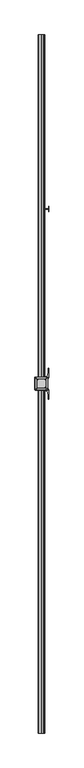
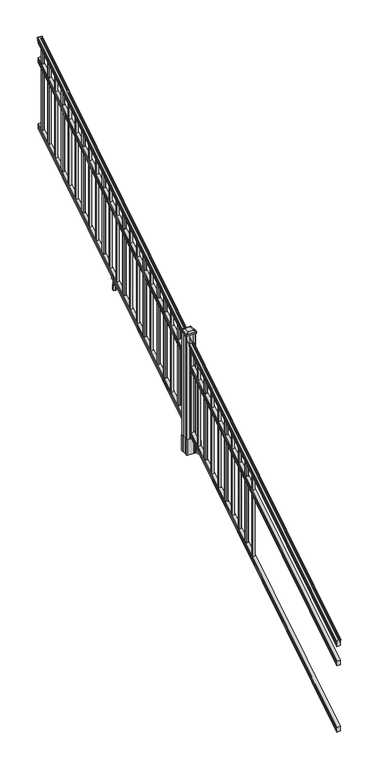
"""IFC4 building model written with IfcOpenShell, lengths in millimetres: railing geometry."""

from ifc_helpers import new_model, si_unit, point, frame, frame_2d, origin, place, context, project, spatial, polyline, circle_curve, ellipse_curve, trimmed, segment, composite_curve, outline, extrude, faceted_brep, source, transform, mapped, element, save
from ifc_brep_helpers import plane_surface, cylinder_surface, revolved_surface, extruded_surface, advanced_brep


def railing_ff684ed2(model_context):
    return source(origin(), model_context, "Body", "SolidModel", [
        advanced_brep(
        [(7294.632944, -129368.4628453, 1133.2070492), (7297.2067728, -129368.4628453, 1133.2070492), (7297.2067728, -129368.4628453, 1120.6394336), (7296.1907728, -129368.4628453, 1119.441318), (7296.1907728, -129368.4628453, 1104.9), (7327.9407728, -129368.4628453, 1104.9), (7327.9407728, -129368.4628453, 1119.6274214), (7326.9247728, -129368.4628453, 1120.825537), (7326.9247728, -129368.4628453, 1133.2070492), (7329.4986015, -129368.4628453, 1133.2070492), (7329.4986015, -129368.4628453, 1135.4335658), (7330.6287878, -129368.4628453, 1137.2758543), (7330.6287878, -129368.4628453, 1145.7876358), (7329.9795314, -129368.4628453, 1148.6572588), (7332.4795314, -129368.4628453, 1153.7635509), (7333.8888739, -129368.4628453, 1155.7442021), (7334.2907729, -129368.4628453, 1157.0469579), (7334.2907728, -129368.4628453, 1158.6274846), (7332.7373255, -129368.4628453, 1160.4593836), (7312.0657728, -129368.4628453, 1160.4593836), (7291.39422, -129368.4628453, 1160.4593836), (7289.8407728, -129368.4628453, 1158.6274846), (7289.8407728, -129368.4628453, 1157.0469579), (7290.2426717, -129368.4628453, 1155.7442021), (7291.6520141, -129368.4628453, 1153.7635509), (7294.1520141, -129368.4628453, 1148.6572588), (7293.5027577, -129368.4628453, 1145.7876358), (7293.5027577, -129368.4628453, 1137.2758543), (7294.632944, -129368.4628453, 1135.4335658), (7294.632944, -124491.6628453, 4181.2070492), (7294.632944, -124491.6628453, 4183.4335658), (7293.5027577, -124491.6628453, 4185.2758543), (7293.5027577, -124491.6628453, 4193.7876358), (7294.1520141, -124491.6628453, 4196.6572588), (7291.6520141, -124491.6628453, 4201.7635509), (7290.2426717, -124491.6628453, 4203.7442021), (7289.8407727, -124491.6628453, 4205.0469579), (7289.8407728, -124491.6628453, 4206.6274846), (7291.39422, -124491.6628453, 4208.4593836), (7312.0657728, -124491.6628453, 4208.4593836), (7332.7373255, -124491.6628453, 4208.4593836), (7334.2907728, -124491.6628453, 4206.6274846), (7334.2907728, -124491.6628453, 4205.0469579), (7333.8888739, -124491.6628453, 4203.7442021), (7332.4795314, -124491.6628453, 4201.7635509), (7329.9795314, -124491.6628453, 4196.6572588), (7330.6287878, -124491.6628453, 4193.7876358), (7330.6287878, -124491.6628453, 4185.2758543), (7329.4986015, -124491.6628453, 4183.4335658), (7329.4986015, -124491.6628453, 4181.2070492), (7326.9247728, -124491.6628453, 4181.2070492), (7326.9247728, -124491.6628453, 4168.825537), (7327.9407728, -124491.6628453, 4167.6274214), (7327.9407728, -124491.6628453, 4152.9), (7296.1907728, -124491.6628453, 4152.9), (7296.1907728, -124491.6628453, 4167.441318), (7297.2067728, -124491.6628453, 4168.6394336), (7297.2067728, -124491.6628453, 4181.2070492)],
        [
            (0, 1, ellipse_curve(frame((7295.9198584, -129368.4628453, 1133.2070492), z_axis=(0.0, -1.0, 0.0), x_axis=(0.0, 0.0, -1.0)), 1.5175907, 1.2869144)),
            (1, 2),
            (2, 3),
            (3, 4),
            (4, 5),
            (5, 6),
            (6, 7),
            (7, 8),
            (8, 9, ellipse_curve(frame((7328.2116871, -129368.4628453, 1133.2070492), z_axis=(0.0, -1.0, 0.0), x_axis=(0.0, 0.0, -1.0)), 1.5175907, 1.2869144)),
            (9, 10),
            (10, 11, ellipse_curve(frame((7323.1838482, -129368.4628453, 1142.2239405), z_axis=(0.0, -1.0, 0.0), x_axis=(0.0, 0.0, -1.0)), 10.0777926, 8.545951)),
            (11, 12, ellipse_curve(frame((7323.6209112, -129368.4628453, 1141.5317451), z_axis=(0.0, -1.0, 0.0), x_axis=(0.0, 0.0, -1.0)), 9.2955186, 7.882584)),
            (12, 13, ellipse_curve(frame((7334.1342353, -129368.4628453, 1148.4275077), z_axis=(0.0, 1.0, 0.0), x_axis=(0.0, 0.0, 1.0)), 4.9048088, 4.1592695)),
            (13, 14, ellipse_curve(frame((7335.4215419, -129368.4628453, 1148.3563208), z_axis=(0.0, 1.0, 0.0), x_axis=(0.0, 0.0, 1.0)), 6.4245301, 5.4479907)),
            (14, 15, ellipse_curve(frame((7334.1883834, -129368.4628453, 1153.7602333), z_axis=(0.0, 1.0, 0.0), x_axis=(0.0, 0.0, 1.0)), 2.0151625, 1.7088543)),
            (15, 16, ellipse_curve(frame((7332.5714833, -129368.4628453, 1157.0469579), z_axis=(0.0, -1.0, 0.0), x_axis=(0.0, 0.0, -1.0)), 2.0274681, 1.7192895)),
            (16, 17),
            (17, 18, ellipse_curve(frame((7332.7373255, -129368.4628453, 1158.6274846), z_axis=(0.0, -1.0, 0.0), x_axis=(0.0, 0.0, -1.0)), 1.831899, 1.5534472)),
            (18, 19),
            (19, 20),
            (20, 21, ellipse_curve(frame((7291.39422, -129368.4628453, 1158.6274846), z_axis=(0.0, -1.0, 0.0), x_axis=(0.0, 0.0, -1.0)), 1.831899, 1.5534472)),
            (21, 22),
            (22, 23, ellipse_curve(frame((7291.5600622, -129368.4628453, 1157.0469579), z_axis=(0.0, -1.0, 0.0), x_axis=(0.0, 0.0, -1.0)), 2.0274681, 1.7192895)),
            (23, 24, ellipse_curve(frame((7289.9431621, -129368.4628453, 1153.7602333), z_axis=(0.0, 1.0, 0.0), x_axis=(0.0, 0.0, 1.0)), 2.0151625, 1.7088543)),
            (24, 25, ellipse_curve(frame((7288.7100037, -129368.4628453, 1148.3563208), z_axis=(0.0, 1.0, 0.0), x_axis=(0.0, 0.0, 1.0)), 6.4245301, 5.4479907)),
            (25, 26, ellipse_curve(frame((7289.9973102, -129368.4628453, 1148.4275077), z_axis=(0.0, 1.0, 0.0), x_axis=(0.0, 0.0, 1.0)), 4.9048088, 4.1592695)),
            (26, 27, ellipse_curve(frame((7300.5106343, -129368.4628453, 1141.5317451), z_axis=(0.0, -1.0, 0.0), x_axis=(0.0, 0.0, -1.0)), 9.2955186, 7.882584)),
            (27, 28, ellipse_curve(frame((7300.9476973, -129368.4628453, 1142.2239405), z_axis=(0.0, -1.0, 0.0), x_axis=(0.0, 0.0, -1.0)), 10.0777926, 8.545951)),
            (28, 0),
            (29, 30),
            (30, 31, ellipse_curve(frame((7300.9476973, -124491.6628453, 4190.2239405), z_axis=(0.0, 1.0, 0.0), x_axis=(0.0, 0.0, -1.0)), 10.0777926, 8.545951)),
            (31, 32, ellipse_curve(frame((7300.5106343, -124491.6628453, 4189.5317451), z_axis=(0.0, 1.0, 0.0), x_axis=(0.0, 0.0, -1.0)), 9.2955186, 7.882584)),
            (32, 33, ellipse_curve(frame((7289.9973102, -124491.6628453, 4196.4275077), z_axis=(0.0, -1.0, 0.0), x_axis=(0.0, 0.0, 1.0)), 4.9048088, 4.1592695)),
            (33, 34, ellipse_curve(frame((7288.7100037, -124491.6628453, 4196.3563208), z_axis=(0.0, -1.0, 0.0), x_axis=(0.0, 0.0, 1.0)), 6.4245301, 5.4479907)),
            (34, 35, ellipse_curve(frame((7289.9431621, -124491.6628453, 4201.7602333), z_axis=(0.0, -1.0, 0.0), x_axis=(0.0, 0.0, 1.0)), 2.0151625, 1.7088543)),
            (35, 36, ellipse_curve(frame((7291.5600622, -124491.6628453, 4205.0469579), z_axis=(0.0, 1.0, 0.0), x_axis=(0.0, 0.0, -1.0)), 2.0274681, 1.7192895)),
            (36, 37),
            (37, 38, ellipse_curve(frame((7291.39422, -124491.6628453, 4206.6274846), z_axis=(0.0, 1.0, 0.0), x_axis=(0.0, 0.0, -1.0)), 1.831899, 1.5534472)),
            (38, 39),
            (39, 40),
            (40, 41, ellipse_curve(frame((7332.7373255, -124491.6628453, 4206.6274846), z_axis=(0.0, 1.0, 0.0), x_axis=(0.0, 0.0, -1.0)), 1.831899, 1.5534472)),
            (41, 42),
            (42, 43, ellipse_curve(frame((7332.5714833, -124491.6628453, 4205.0469579), z_axis=(0.0, 1.0, 0.0), x_axis=(0.0, 0.0, -1.0)), 2.0274681, 1.7192895)),
            (43, 44, ellipse_curve(frame((7334.1883834, -124491.6628453, 4201.7602333), z_axis=(0.0, -1.0, 0.0), x_axis=(0.0, 0.0, 1.0)), 2.0151625, 1.7088543)),
            (44, 45, ellipse_curve(frame((7335.4215419, -124491.6628453, 4196.3563208), z_axis=(0.0, -1.0, 0.0), x_axis=(0.0, 0.0, 1.0)), 6.4245301, 5.4479907)),
            (45, 46, ellipse_curve(frame((7334.1342353, -124491.6628453, 4196.4275077), z_axis=(0.0, -1.0, 0.0), x_axis=(0.0, 0.0, 1.0)), 4.9048088, 4.1592695)),
            (46, 47, ellipse_curve(frame((7323.6209112, -124491.6628453, 4189.5317451), z_axis=(0.0, 1.0, 0.0), x_axis=(0.0, 0.0, -1.0)), 9.2955186, 7.882584)),
            (47, 48, ellipse_curve(frame((7323.1838482, -124491.6628453, 4190.2239405), z_axis=(0.0, 1.0, 0.0), x_axis=(0.0, 0.0, -1.0)), 10.0777926, 8.545951)),
            (48, 49),
            (49, 50, ellipse_curve(frame((7328.2116871, -124491.6628453, 4181.2070492), z_axis=(0.0, 1.0, 0.0), x_axis=(0.0, 0.0, -1.0)), 1.5175907, 1.2869144)),
            (50, 51),
            (51, 52),
            (52, 53),
            (53, 54),
            (54, 55),
            (55, 56),
            (56, 57),
            (57, 29, ellipse_curve(frame((7295.9198584, -124491.6628453, 4181.2070492), z_axis=(0.0, 1.0, 0.0), x_axis=(0.0, 0.0, -1.0)), 1.5175907, 1.2869144)),
            (28, 30),
            (29, 0),
            (27, 31),
            (26, 32),
            (25, 33),
            (24, 34),
            (23, 35),
            (22, 36),
            (21, 37),
            (20, 38),
            (19, 39),
            (18, 40),
            (17, 41),
            (16, 42),
            (15, 43),
            (14, 44),
            (13, 45),
            (12, 46),
            (11, 47),
            (10, 48),
            (9, 49),
            (8, 50),
            (7, 51),
            (6, 52),
            (5, 53),
            (4, 54),
            (3, 55),
            (2, 56),
            (1, 57),
        ],
        [
            plane_surface(frame((7312.0657728, -129368.4628453, 1104.9), z_axis=(0.0, -1.0, 0.0), x_axis=(0.0, 0.0, 1.0))),
            plane_surface(frame((7312.0657728, -124491.6628453, 4152.9), z_axis=(0.0, 1.0, 0.0), x_axis=(0.0, 0.0, 1.0))),
            plane_surface(frame((7294.632944, -129368.4628453, 1135.4335658), z_axis=(-1.0, 0.0, 0.0), x_axis=(0.0, 0.8479983040051252, 0.5299989400031204))),
            cylinder_surface(frame((7300.9476973, -129385.23765, 1131.7396876), z_axis=(0.0, -0.8479983040051253, -0.5299989400031204), x_axis=(1.0, 0.0, 0.0)), 8.545951),
            cylinder_surface(frame((7300.5106343, -129384.9265509, 1131.241929), z_axis=(0.0, -0.8479983040051253, -0.5299989400031204), x_axis=(1.0, 0.0, 0.0)), 7.882584),
            revolved_surface(polyline([(7294.1565797, -124489.45843685034, 4197.805262980552), (7294.1565797, -129370.66725374945, 1147.0497524190953)]), (7289.9973102, -129388.0257701, 1136.2006797), (0.0, 0.8479983040051253, 0.5299989400031204)),
            revolved_surface(polyline([(7294.1579944000005, -124488.77541603574, 4198.160964077185), (7294.1579944000005, -129371.35027455281, 1146.551677504493)]), (7288.7100037, -129387.993776, 1136.1494891), (0.0, 0.8479983040051253, 0.5299989400031204)),
            revolved_surface(polyline([(7291.6520164, -124490.75715429979, 4202.326290199658), (7291.6520164, -129369.36853632248, 1153.1941764359544)]), (7289.9431621, -129390.4225007, 1140.0354487), (0.0, 0.8479983040051253, 0.5299989400031204)),
            cylinder_surface(frame((7291.5600622, -129391.8996803, 1142.398936), z_axis=(0.0, -0.8479983040051253, -0.5299989400031204), x_axis=(1.0, 0.0, 0.0)), 1.7192895),
            plane_surface(frame((7289.8407728, -129368.4628453, 1158.6274846), z_axis=(-1.0, 0.0, 0.0), x_axis=(0.0, 0.8479983040051252, 0.5299989400031204))),
            cylinder_surface(frame((7291.39422, -129392.6100294, 1143.5354945), z_axis=(0.0, -0.8479983040051253, -0.5299989400031204), x_axis=(1.0, 0.0, 0.0)), 1.5534472),
            plane_surface(frame((7312.0657728, -129368.4628453, 1160.4593836), z_axis=(0.0, -0.5299989400031204, 0.8479983040051252), x_axis=(0.0, 0.8479983040051252, 0.5299989400031204))),
            plane_surface(frame((7332.7373255, -129368.4628453, 1160.4593836), z_axis=(0.0, -0.5299989400031204, 0.8479983040051252), x_axis=(0.0, 0.8479983040051252, 0.5299989400031204))),
            cylinder_surface(frame((7332.7373255, -129392.6100294, 1143.5354945), z_axis=(0.0, -0.8479983040051253, -0.5299989400031204), x_axis=(-1.0, 0.0, 0.0)), 1.5534472),
            plane_surface(frame((7334.2907728, -129368.4628453, 1157.0469579), z_axis=(1.0000000000000002, 0.0, 0.0), x_axis=(0.0, 0.8479983040051253, 0.5299989400031204))),
            cylinder_surface(frame((7332.5714833, -129391.8996803, 1142.398936), z_axis=(0.0, -0.8479983040051253, -0.5299989400031204), x_axis=(-1.0, 0.0, 0.0)), 1.7192895),
            revolved_surface(polyline([(7332.4795291, -124490.75715429979, 4202.326290199658), (7332.4795291, -129369.36853632248, 1153.1941764359544)]), (7334.1883834, -129390.4225007, 1140.0354487), (0.0, 0.8479983040051253, 0.5299989400031204)),
            revolved_surface(polyline([(7329.9735512, -124488.77541603574, 4198.160964077185), (7329.9735512, -129371.35027455281, 1146.551677504493)]), (7335.4215419, -129387.993776, 1136.1494891), (0.0, 0.8479983040051253, 0.5299989400031204)),
            revolved_surface(polyline([(7329.9749658, -124489.45843685034, 4197.805262980552), (7329.9749658, -129370.66725374945, 1147.0497524190953)]), (7334.1342353, -129388.0257701, 1136.2006797), (0.0, 0.8479983040051253, 0.5299989400031204)),
            cylinder_surface(frame((7323.6209112, -129384.9265509, 1131.241929), z_axis=(0.0, -0.8479983040051253, -0.5299989400031204), x_axis=(-1.0, 0.0, 0.0)), 7.882584),
            cylinder_surface(frame((7323.1838482, -129385.23765, 1131.7396876), z_axis=(0.0, -0.8479983040051253, -0.5299989400031204), x_axis=(-1.0, 0.0, 0.0)), 8.545951),
            plane_surface(frame((7329.4986015, -129368.4628453, 1133.2070492), z_axis=(1.0, 0.0, 0.0), x_axis=(0.0, 0.8479983040051252, 0.5299989400031204))),
            cylinder_surface(frame((7328.2116871, -129381.1851146, 1125.2556309), z_axis=(0.0, -0.8479983040051253, -0.5299989400031204), x_axis=(-1.0, 0.0, 0.0)), 1.2869144),
            plane_surface(frame((7326.9247728, -129368.4628453, 1120.825537), z_axis=(1.0, 0.0, 0.0), x_axis=(0.0, 0.8479983040051252, 0.5299989400031204))),
            plane_surface(frame((7327.9407728, -129368.4628453, 1119.6274214), z_axis=(0.7071067811865426, -0.3747658444978921, 0.5996253511967194), x_axis=(0.0, 0.8479983040051253, 0.5299989400031204))),
            plane_surface(frame((7327.9407728, -129368.4628453, 1104.9), z_axis=(1.0, 0.0, 0.0), x_axis=(0.0, 0.8479983040051252, 0.5299989400031204))),
            plane_surface(frame((7296.1907728, -129368.4628453, 1104.9), z_axis=(0.0, 0.5299989400031204, -0.8479983040051252), x_axis=(0.0, 0.8479983040051252, 0.5299989400031204))),
            plane_surface(frame((7296.1907728, -129368.4628453, 1119.441318), z_axis=(-1.0000000000000002, 0.0, 0.0), x_axis=(0.0, 0.8479983040051253, 0.5299989400031204))),
            plane_surface(frame((7297.2067728, -129368.4628453, 1120.6394336), z_axis=(-0.7071067811865401, -0.3747658444978918, 0.5996253511967223), x_axis=(0.0, 0.8479983040051253, 0.5299989400031204))),
            plane_surface(frame((7297.2067728, -129368.4628453, 1133.2070492), z_axis=(-1.0, 0.0, 0.0), x_axis=(0.0, 0.8479983040051252, 0.5299989400031204))),
            cylinder_surface(frame((7295.9198584, -129381.1851146, 1125.2556309), z_axis=(0.0, -0.8479983040051253, -0.5299989400031204), x_axis=(1.0, 0.0, 0.0)), 1.2869144),
        ],
        [
            (0, [[1, 2, 3, 4, 5, 6, 7, 8, 9, 10, 11, 12, 13, 14, 15, 16, 17, 18, 19, 20, 21, 22, 23, 24, 25, 26, 27, 28, 29]]),
            (1, [[30, 31, 32, 33, 34, 35, 36, 37, 38, 39, 40, 41, 42, 43, 44, 45, 46, 47, 48, 49, 50, 51, 52, 53, 54, 55, 56, 57, 58]]),
            (2, [[-29, 59, -30, 60]]),
            (3, [[-28, 61, -31, -59]]),
            (4, [[-27, 62, -32, -61]]),
            (5, [[-26, 63, -33, -62]]),
            (6, [[-25, 64, -34, -63]]),
            (7, [[-24, 65, -35, -64]]),
            (8, [[-23, 66, -36, -65]]),
            (9, [[-22, 67, -37, -66]]),
            (10, [[-21, 68, -38, -67]]),
            (11, [[-20, 69, -39, -68]]),
            (12, [[-19, 70, -40, -69]]),
            (13, [[-18, 71, -41, -70]]),
            (14, [[-17, 72, -42, -71]]),
            (15, [[-16, 73, -43, -72]]),
            (16, [[-15, 74, -44, -73]]),
            (17, [[-14, 75, -45, -74]]),
            (18, [[-13, 76, -46, -75]]),
            (19, [[-12, 77, -47, -76]]),
            (20, [[-11, 78, -48, -77]]),
            (21, [[-10, 79, -49, -78]]),
            (22, [[-9, 80, -50, -79]]),
            (23, [[-8, 81, -51, -80]]),
            (24, [[-7, 82, -52, -81]]),
            (25, [[-6, 83, -53, -82]]),
            (26, [[-5, 84, -54, -83]]),
            (27, [[-4, 85, -55, -84]]),
            (28, [[-3, 86, -56, -85]]),
            (29, [[-2, 87, -57, -86]]),
            (30, [[-1, -60, -58, -87]]),
        ],
    ),
        faceted_brep([(7296.1532859, -129368.4628453, 929.2045079), (7296.1532859, -129368.4628453, 914.4), (7327.9032859, -129368.4628453, 914.4), (7327.9032859, -129368.4628453, 929.1848772), (7326.8872859, -129368.4628453, 930.7748303), (7326.8872859, -129368.4628453, 942.9348741), (7327.9032859, -129368.4628453, 944.5248272), (7327.9032859, -129368.4628453, 959.3244744), (7296.1532859, -129368.4628453, 959.3244744), (7296.1532859, -129368.4628453, 944.5444579), (7297.1692859, -129368.4628453, 942.9545048), (7297.1692859, -129368.4628453, 930.738026), (7296.1532859, -124491.6628453, 3977.2045079), (7297.1692859, -124491.6628453, 3978.738026), (7297.1692859, -124491.6628453, 3990.9545048), (7296.1532859, -124491.6628453, 3992.5444579), (7296.1532859, -124491.6628453, 4007.3244744), (7327.9032859, -124491.6628453, 4007.3244744), (7327.9032859, -124491.6628453, 3992.5248272), (7326.8872859, -124491.6628453, 3990.9348741), (7326.8872859, -124491.6628453, 3978.7748303), (7327.9032859, -124491.6628453, 3977.1848772), (7327.9032859, -124491.6628453, 3962.4), (7296.1532859, -124491.6628453, 3962.4)], [[[0, 1, 2, 3, 4, 5, 6, 7, 8, 9, 10, 11]], [[12, 13, 14, 15, 16, 17, 18, 19, 20, 21, 22, 23]], [[0, 11, 13, 12]], [[11, 10, 14, 13]], [[10, 9, 15, 14]], [[9, 8, 16, 15]], [[8, 7, 17, 16]], [[7, 6, 18, 17]], [[6, 5, 19, 18]], [[5, 4, 20, 19]], [[4, 3, 21, 20]], [[3, 2, 22, 21]], [[2, 1, 23, 22]], [[1, 0, 12, 23]]]),
        faceted_brep([(7296.1532859, -129368.4628453, 268.8045079), (7296.1532859, -129368.4628453, 254.0), (7327.9032859, -129368.4628453, 254.0), (7327.9032859, -129368.4628453, 268.7848772), (7326.8872859, -129368.4628453, 270.3748303), (7326.8872859, -129368.4628453, 282.5348741), (7327.9032859, -129368.4628453, 284.1248272), (7327.9032859, -129368.4628453, 298.9244744), (7296.1532859, -129368.4628453, 298.9244744), (7296.1532859, -129368.4628453, 284.1444579), (7297.1692859, -129368.4628453, 282.5545048), (7297.1692859, -129368.4628453, 270.338026), (7296.1532859, -124491.6628453, 3316.8045079), (7297.1692859, -124491.6628453, 3318.338026), (7297.1692859, -124491.6628453, 3330.5545048), (7296.1532859, -124491.6628453, 3332.1444579), (7296.1532859, -124491.6628453, 3346.9244744), (7327.9032859, -124491.6628453, 3346.9244744), (7327.9032859, -124491.6628453, 3332.1248272), (7326.8872859, -124491.6628453, 3330.5348741), (7326.8872859, -124491.6628453, 3318.3748303), (7327.9032859, -124491.6628453, 3316.7848772), (7327.9032859, -124491.6628453, 3302.0), (7296.1532859, -124491.6628453, 3302.0)], [[[0, 1, 2, 3, 4, 5, 6, 7, 8, 9, 10, 11]], [[12, 13, 14, 15, 16, 17, 18, 19, 20, 21, 22, 23]], [[1, 0, 12, 23]], [[7, 6, 18, 17]], [[9, 8, 16, 15]], [[11, 10, 14, 13]], [[2, 1, 23, 22]], [[3, 2, 22, 21]], [[4, 3, 21, 20]], [[5, 4, 20, 19]], [[6, 5, 19, 18]], [[8, 7, 17, 16]], [[10, 9, 15, 14]], [[0, 11, 13, 12]]]),
        extrude(outline(polyline([(7302.5407728, -124548.4318453), (7302.5407728, -124529.3818453), (7321.5907728, -124529.3818453), (7321.5907728, -124548.4318453), (7302.5407728, -124548.4318453)]), holes=[polyline([(7302.9376478, -124548.0349703), (7321.1938978, -124548.0349703), (7321.1938978, -124529.7787203), (7302.9376478, -124529.7787203), (7302.9376478, -124548.0349703)])]), frame((0.0, 0.0, 3310.5683781), z_axis=(0.0, 0.0, 1.0), x_axis=(1.0, 0.0, 0.0)), (0.0, 0.0, 1.0), 812.8041219),
        extrude(outline(polyline([(7302.5407728, -124659.6838453), (7302.5407728, -124640.6338453), (7321.5907728, -124640.6338453), (7321.5907728, -124659.6838453), (7302.5407728, -124659.6838453)]), holes=[polyline([(7302.9376478, -124659.2869703), (7321.1938978, -124659.2869703), (7321.1938978, -124641.0307203), (7302.9376478, -124641.0307203), (7302.9376478, -124659.2869703)])]), frame((0.0, 0.0, 3241.0358781), z_axis=(0.0, 0.0, 1.0), x_axis=(1.0, 0.0, 0.0)), (0.0, 0.0, 1.0), 812.8041219),
        extrude(outline(polyline([(7302.5407728, -124770.9358453), (7302.5407728, -124751.8858453), (7321.5907728, -124751.8858453), (7321.5907728, -124770.9358453), (7302.5407728, -124770.9358453)]), holes=[polyline([(7302.9376478, -124770.5389703), (7321.1938978, -124770.5389703), (7321.1938978, -124752.2827203), (7302.9376478, -124752.2827203), (7302.9376478, -124770.5389703)])]), frame((0.0, 0.0, 3171.5033781), z_axis=(0.0, 0.0, 1.0), x_axis=(1.0, 0.0, 0.0)), (0.0, 0.0, 1.0), 812.8041219),
        extrude(outline(polyline([(7302.5407728, -124882.1878453), (7302.5407728, -124863.1378453), (7321.5907728, -124863.1378453), (7321.5907728, -124882.1878453), (7302.5407728, -124882.1878453)]), holes=[polyline([(7302.9376478, -124881.7909703), (7321.1938978, -124881.7909703), (7321.1938978, -124863.5347203), (7302.9376478, -124863.5347203), (7302.9376478, -124881.7909703)])]), frame((0.0, 0.0, 3101.9708781), z_axis=(0.0, 0.0, 1.0), x_axis=(1.0, 0.0, 0.0)), (0.0, 0.0, 1.0), 812.8041219),
        extrude(outline(polyline([(7302.5407728, -124993.4398453), (7302.5407728, -124974.3898453), (7321.5907728, -124974.3898453), (7321.5907728, -124993.4398453), (7302.5407728, -124993.4398453)]), holes=[polyline([(7302.9376478, -124993.0429703), (7321.1938978, -124993.0429703), (7321.1938978, -124974.7867203), (7302.9376478, -124974.7867203), (7302.9376478, -124993.0429703)])]), frame((0.0, 0.0, 3032.4383781), z_axis=(0.0, 0.0, 1.0), x_axis=(1.0, 0.0, 0.0)), (0.0, 0.0, 1.0), 812.8041219),
        extrude(outline(polyline([(7302.5407728, -125104.6918453), (7302.5407728, -125085.6418453), (7321.5907728, -125085.6418453), (7321.5907728, -125104.6918453), (7302.5407728, -125104.6918453)]), holes=[polyline([(7302.9376478, -125104.2949703), (7321.1938978, -125104.2949703), (7321.1938978, -125086.0387203), (7302.9376478, -125086.0387203), (7302.9376478, -125104.2949703)])]), frame((0.0, 0.0, 2962.9058781), z_axis=(0.0, 0.0, 1.0), x_axis=(1.0, 0.0, 0.0)), (0.0, 0.0, 1.0), 812.8041219),
        extrude(outline(polyline([(7302.5407728, -125215.9438453), (7302.5407728, -125196.8938453), (7321.5907728, -125196.8938453), (7321.5907728, -125215.9438453), (7302.5407728, -125215.9438453)]), holes=[polyline([(7302.9376478, -125215.5469703), (7321.1938978, -125215.5469703), (7321.1938978, -125197.2907203), (7302.9376478, -125197.2907203), (7302.9376478, -125215.5469703)])]), frame((0.0, 0.0, 2893.3733781), z_axis=(0.0, 0.0, 1.0), x_axis=(1.0, 0.0, 0.0)), (0.0, 0.0, 1.0), 812.8041219),
        extrude(outline(polyline([(7302.5407728, -125327.1958453), (7302.5407728, -125308.1458453), (7321.5907728, -125308.1458453), (7321.5907728, -125327.1958453), (7302.5407728, -125327.1958453)]), holes=[polyline([(7302.9376478, -125326.7989703), (7321.1938978, -125326.7989703), (7321.1938978, -125308.5427203), (7302.9376478, -125308.5427203), (7302.9376478, -125326.7989703)])]), frame((0.0, 0.0, 2823.8408781), z_axis=(0.0, 0.0, 1.0), x_axis=(1.0, 0.0, 0.0)), (0.0, 0.0, 1.0), 812.8041219),
        extrude(outline(polyline([(7302.5407728, -125438.4478453), (7302.5407728, -125419.3978453), (7321.5907728, -125419.3978453), (7321.5907728, -125438.4478453), (7302.5407728, -125438.4478453)]), holes=[polyline([(7302.9376478, -125438.0509703), (7321.1938978, -125438.0509703), (7321.1938978, -125419.7947203), (7302.9376478, -125419.7947203), (7302.9376478, -125438.0509703)])]), frame((0.0, 0.0, 2754.3083781), z_axis=(0.0, 0.0, 1.0), x_axis=(1.0, 0.0, 0.0)), (0.0, 0.0, 1.0), 812.8041219),
        extrude(outline(polyline([(7302.5407728, -125549.6998453), (7302.5407728, -125530.6498453), (7321.5907728, -125530.6498453), (7321.5907728, -125549.6998453), (7302.5407728, -125549.6998453)]), holes=[polyline([(7302.9376478, -125549.3029703), (7321.1938978, -125549.3029703), (7321.1938978, -125531.0467203), (7302.9376478, -125531.0467203), (7302.9376478, -125549.3029703)])]), frame((0.0, 0.0, 2684.7758781), z_axis=(0.0, 0.0, 1.0), x_axis=(1.0, 0.0, 0.0)), (0.0, 0.0, 1.0), 812.8041219),
        extrude(outline(polyline([(7302.5407728, -125660.9518453), (7302.5407728, -125641.9018453), (7321.5907728, -125641.9018453), (7321.5907728, -125660.9518453), (7302.5407728, -125660.9518453)]), holes=[polyline([(7302.9376478, -125660.5549703), (7321.1938978, -125660.5549703), (7321.1938978, -125642.2987203), (7302.9376478, -125642.2987203), (7302.9376478, -125660.5549703)])]), frame((0.0, 0.0, 2615.2433781), z_axis=(0.0, 0.0, 1.0), x_axis=(1.0, 0.0, 0.0)), (0.0, 0.0, 1.0), 812.8041219),
        extrude(outline(polyline([(7322.7337726, -125708.3228453), (7322.7337726, -125705.7828453), (7362.1037728, -125705.7828453), (7362.1037728, -125708.3228453), (7322.7337726, -125708.3228453)])), frame((0.0, 0.0, 2428.08125), z_axis=(0.0, 0.0, 1.0), x_axis=(1.0, 0.0, 0.0)), (0.0, 0.0, 1.0), 50.8),
        extrude(outline(polyline([(7362.1037728, -125726.1028453), (7362.1037728, -125688.0028453), (7364.6437728, -125688.0028453), (7364.6437728, -125726.1028453), (7362.1037728, -125726.1028453)])), frame((0.0, 0.0, 2428.08125), z_axis=(0.0, 0.0, 1.0), x_axis=(1.0, 0.0, 0.0)), (0.0, 0.0, 1.0), 50.8),
        extrude(outline(polyline([(7301.397772, -125716.9588453), (7301.397772, -125697.1468453), (7322.7337726, -125697.1468453), (7322.7337726, -125716.9588453), (7301.397772, -125716.9588453)]), holes=[polyline([(7304.6997721, -125714.4188453), (7319.4317725, -125714.4188453), (7319.4317725, -125699.6868453), (7304.6997721, -125699.6868453), (7304.6997721, -125714.4188453)])]), frame((0.0, 0.0, 2428.08125), z_axis=(0.0, 0.0, 1.0), x_axis=(1.0, 0.0, 0.0)), (0.0, 0.0, 1.0), 50.8),
        extrude(outline(polyline([(2567.6016479, 7330.2267716), (2567.6016479, 7328.194772), (2566.5856453, 7327.1787722), (2556.1498581, 7327.1787722), (2555.1338573, 7328.194772), (2543.143251, 7328.194772), (2542.3812519, 7327.4327729), (2542.3812519, 7296.6987717), (2543.143251, 7295.9367726), (2555.1338573, 7295.9367726), (2556.1498581, 7296.9527724), (2566.5856453, 7296.9527724), (2567.6016479, 7295.9367726), (2567.6016479, 7293.904773), (2566.8396469, 7293.142772), (2540.3492523, 7293.142772), (2539.5872513, 7293.904773), (2539.5872513, 7303.937772), (2538.8252512, 7304.6997721), (2475.3252512, 7304.6997721), (2475.3252512, 7319.4317725), (2538.8252512, 7319.4317725), (2539.5872513, 7320.1937726), (2539.5872513, 7330.2267716), (2540.3492523, 7330.9887726), (2566.8396469, 7330.9887726), (2567.6016479, 7330.2267716)]), holes=[polyline([(2539.5872513, 7308.6367724), (2539.5872513, 7315.4947722), (2538.8252512, 7316.2567723), (2482.8182503, 7316.2567723), (2482.0562531, 7315.4947751), (2482.0562531, 7308.6367724), (2482.8182531, 7307.8747723), (2538.8252512, 7307.8747723), (2539.5872513, 7308.6367724)])]), frame((0.0, -125714.4188453, 0.0), z_axis=(0.0, 1.0, 0.0), x_axis=(0.0, 0.0, 1.0)), (0.0, 0.0, 1.0), 14.732),
        extrude(outline(polyline([(7302.5407728, -125772.2038453), (7302.5407728, -125753.1538453), (7321.5907728, -125753.1538453), (7321.5907728, -125772.2038453), (7302.5407728, -125772.2038453)]), holes=[polyline([(7302.9376478, -125771.8069703), (7321.1938978, -125771.8069703), (7321.1938978, -125753.5507203), (7302.9376478, -125753.5507203), (7302.9376478, -125771.8069703)])]), frame((0.0, 0.0, 2545.7108781), z_axis=(0.0, 0.0, 1.0), x_axis=(1.0, 0.0, 0.0)), (0.0, 0.0, 1.0), 812.8041219),
        extrude(outline(polyline([(7302.5407728, -125883.4558453), (7302.5407728, -125864.4058453), (7321.5907728, -125864.4058453), (7321.5907728, -125883.4558453), (7302.5407728, -125883.4558453)]), holes=[polyline([(7302.9376478, -125883.0589703), (7321.1938978, -125883.0589703), (7321.1938978, -125864.8027203), (7302.9376478, -125864.8027203), (7302.9376478, -125883.0589703)])]), frame((0.0, 0.0, 2476.1783781), z_axis=(0.0, 0.0, 1.0), x_axis=(1.0, 0.0, 0.0)), (0.0, 0.0, 1.0), 812.8041219),
        extrude(outline(polyline([(7302.5407728, -125994.7078453), (7302.5407728, -125975.6578453), (7321.5907728, -125975.6578453), (7321.5907728, -125994.7078453), (7302.5407728, -125994.7078453)]), holes=[polyline([(7302.9376478, -125994.3109703), (7321.1938978, -125994.3109703), (7321.1938978, -125976.0547203), (7302.9376478, -125976.0547203), (7302.9376478, -125994.3109703)])]), frame((0.0, 0.0, 2406.6458781), z_axis=(0.0, 0.0, 1.0), x_axis=(1.0, 0.0, 0.0)), (0.0, 0.0, 1.0), 812.8041219),
        extrude(outline(polyline([(7302.5407728, -126105.9598453), (7302.5407728, -126086.9098453), (7321.5907728, -126086.9098453), (7321.5907728, -126105.9598453), (7302.5407728, -126105.9598453)]), holes=[polyline([(7302.9376478, -126105.5629703), (7321.1938978, -126105.5629703), (7321.1938978, -126087.3067203), (7302.9376478, -126087.3067203), (7302.9376478, -126105.5629703)])]), frame((0.0, 0.0, 2337.1133781), z_axis=(0.0, 0.0, 1.0), x_axis=(1.0, 0.0, 0.0)), (0.0, 0.0, 1.0), 812.8041219),
        extrude(outline(polyline([(7302.5407728, -126217.2118453), (7302.5407728, -126198.1618453), (7321.5907728, -126198.1618453), (7321.5907728, -126217.2118453), (7302.5407728, -126217.2118453)]), holes=[polyline([(7302.9376478, -126216.8149703), (7321.1938978, -126216.8149703), (7321.1938978, -126198.5587203), (7302.9376478, -126198.5587203), (7302.9376478, -126216.8149703)])]), frame((0.0, 0.0, 2267.5808781), z_axis=(0.0, 0.0, 1.0), x_axis=(1.0, 0.0, 0.0)), (0.0, 0.0, 1.0), 812.8041219),
        extrude(outline(polyline([(7302.5407728, -126328.4638453), (7302.5407728, -126309.4138453), (7321.5907728, -126309.4138453), (7321.5907728, -126328.4638453), (7302.5407728, -126328.4638453)]), holes=[polyline([(7302.9376478, -126328.0669703), (7321.1938978, -126328.0669703), (7321.1938978, -126309.8107203), (7302.9376478, -126309.8107203), (7302.9376478, -126328.0669703)])]), frame((0.0, 0.0, 2198.0483781), z_axis=(0.0, 0.0, 1.0), x_axis=(1.0, 0.0, 0.0)), (0.0, 0.0, 1.0), 812.8041219),
        extrude(outline(polyline([(7302.5407728, -126439.7158453), (7302.5407728, -126420.6658453), (7321.5907728, -126420.6658453), (7321.5907728, -126439.7158453), (7302.5407728, -126439.7158453)]), holes=[polyline([(7302.9376478, -126439.3189703), (7321.1938978, -126439.3189703), (7321.1938978, -126421.0627203), (7302.9376478, -126421.0627203), (7302.9376478, -126439.3189703)])]), frame((0.0, 0.0, 2128.5158781), z_axis=(0.0, 0.0, 1.0), x_axis=(1.0, 0.0, 0.0)), (0.0, 0.0, 1.0), 812.8041219),
        extrude(outline(polyline([(7302.5407728, -126550.9678453), (7302.5407728, -126531.9178453), (7321.5907728, -126531.9178453), (7321.5907728, -126550.9678453), (7302.5407728, -126550.9678453)]), holes=[polyline([(7302.9376478, -126550.5709703), (7321.1938978, -126550.5709703), (7321.1938978, -126532.3147203), (7302.9376478, -126532.3147203), (7302.9376478, -126550.5709703)])]), frame((0.0, 0.0, 2058.9833781), z_axis=(0.0, 0.0, 1.0), x_axis=(1.0, 0.0, 0.0)), (0.0, 0.0, 1.0), 812.8041219),
        extrude(outline(polyline([(7302.5407728, -126662.2198453), (7302.5407728, -126643.1698453), (7321.5907728, -126643.1698453), (7321.5907728, -126662.2198453), (7302.5407728, -126662.2198453)]), holes=[polyline([(7302.9376478, -126661.8229703), (7321.1938978, -126661.8229703), (7321.1938978, -126643.5667203), (7302.9376478, -126643.5667203), (7302.9376478, -126661.8229703)])]), frame((0.0, 0.0, 1989.4508781), z_axis=(0.0, 0.0, 1.0), x_axis=(1.0, 0.0, 0.0)), (0.0, 0.0, 1.0), 812.8041219),
        extrude(outline(polyline([(7302.5407728, -126773.4718453), (7302.5407728, -126754.4218453), (7321.5907728, -126754.4218453), (7321.5907728, -126773.4718453), (7302.5407728, -126773.4718453)]), holes=[polyline([(7302.9376478, -126773.0749703), (7321.1938978, -126773.0749703), (7321.1938978, -126754.8187203), (7302.9376478, -126754.8187203), (7302.9376478, -126773.0749703)])]), frame((0.0, 0.0, 1919.9183781), z_axis=(0.0, 0.0, 1.0), x_axis=(1.0, 0.0, 0.0)), (0.0, 0.0, 1.0), 812.8041219),
        extrude(outline(polyline([(7302.5407728, -126884.7238453), (7302.5407728, -126865.6738453), (7321.5907728, -126865.6738453), (7321.5907728, -126884.7238453), (7302.5407728, -126884.7238453)]), holes=[polyline([(7302.9376478, -126884.3269703), (7321.1938978, -126884.3269703), (7321.1938978, -126866.0707203), (7302.9376478, -126866.0707203), (7302.9376478, -126884.3269703)])]), frame((0.0, 0.0, 1850.3858781), z_axis=(0.0, 0.0, 1.0), x_axis=(1.0, 0.0, 0.0)), (0.0, 0.0, 1.0), 812.8041219),
        extrude(outline(composite_curve([segment(polyline([(7269.3302728, -126944.9089401), (7269.3302728, -126910.1367504), (7267.7427728, -126909.3747504), (7267.7427728, -126886.5728224), (7271.1157498, -126883.1998453), (7332.5754206, -126883.1998453), (7332.5754206, -126882.2790953), (7337.8929645, -126882.2790953), (7337.8929645, -126880.8248406), (7342.9774942, -126880.8248406), (7342.9774942, -126879.5408168), (7344.6447665, -126879.5408168)]), True, "CONTINUOUS"), segment(trimmed(circle_curve(frame_2d((7344.6447665, -126872.4813569)), 7.0594599), [point((7344.6447665, -126879.5408168))], [point((7351.4120293, -126874.4913636))], True, "CARTESIAN"), True, "CONTINUOUS"), segment(polyline([(7351.4120293, -126874.4913636), (7359.2862236, -126847.9806345)]), True, "CONTINUOUS"), segment(trimmed(circle_curve(frame_2d((7304.5017103, -126831.7085848)), 57.15), [point((7359.2862236, -126847.9806345))], [point((7361.6517103, -126831.7085848))], True, "CARTESIAN"), True, "CONTINUOUS"), segment(polyline([(7361.6517103, -126831.7085848), (7361.6517103, -126819.6998453), (7364.6517103, -126819.6998453), (7364.6517103, -126884.7873453), (7356.3887728, -126896.1256366), (7356.3887728, -126909.3747504), (7354.8012728, -126910.1367504), (7354.8012728, -126944.9089401), (7356.3887728, -126945.6709401), (7356.3887728, -126958.920054), (7364.6517103, -126970.2583453), (7364.6517103, -127035.3458453), (7361.6517103, -127035.3458453), (7361.6517103, -127023.3371057)]), True, "CONTINUOUS"), segment(trimmed(circle_curve(frame_2d((7304.5017103, -127023.3371057)), 57.15), [point((7361.6517103, -127023.3371057))], [point((7359.2862236, -127007.0650561))], True, "CARTESIAN"), True, "CONTINUOUS"), segment(polyline([(7359.2862236, -127007.0650561), (7351.4120293, -126980.554327)]), True, "CONTINUOUS"), segment(trimmed(circle_curve(frame_2d((7344.6447665, -126982.5643337)), 7.0594599), [point((7351.4120293, -126980.554327))], [point((7344.6447665, -126975.5048738))], True, "CARTESIAN"), True, "CONTINUOUS"), segment(polyline([(7344.6447665, -126975.5048738), (7342.9774942, -126975.5048738), (7342.9774942, -126974.22085), (7337.8929645, -126974.22085), (7337.8929645, -126972.7665953), (7332.5754206, -126972.7665953), (7332.5754206, -126971.8458453), (7271.1157498, -126971.8458453), (7267.7427728, -126968.4728682), (7267.7427728, -126945.6709401), (7269.3302728, -126944.9089401)]), True, "CONTINUOUS")], self_intersect=False), holes=[polyline([(7353.3407728, -126887.8353453), (7351.7532728, -126886.2478453), (7314.8289902, -126886.2478453), (7272.3782728, -126886.2478453), (7270.7907728, -126887.8353453), (7270.7907728, -126967.2103453), (7272.3782728, -126968.7978453), (7314.8289902, -126968.7978453), (7351.7532728, -126968.7978453), (7353.3407728, -126967.2103453), (7353.3407728, -126887.8353453)])]), frame((0.0, 0.0, 1563.6875), z_axis=(0.0, 0.0, 1.0), x_axis=(1.0, 0.0, 0.0)), (0.0, 0.0, 1.0), 152.4),
        advanced_brep(
        [(7337.8626478, -126956.4947203, 2776.026763), (7341.0376478, -126953.3197203, 2776.026763), (7341.0376478, -126901.7259703, 2776.026763), (7337.8626478, -126898.5509703, 2776.026763), (7286.2688978, -126898.5509703, 2776.026763), (7283.0938978, -126901.7259703, 2776.026763), (7283.0938978, -126953.3197203, 2776.026763), (7286.2688978, -126956.4947203, 2776.026763), (7354.1345228, -126972.7665953, 2764.723763), (7269.9970228, -126972.7665953, 2764.723763), (7266.8220228, -126969.5915953, 2764.723763), (7266.8220228, -126885.4540953, 2764.723763), (7269.9970228, -126882.2790953, 2764.723763), (7354.1345228, -126882.2790953, 2764.723763), (7357.3095228, -126885.4540953, 2764.723763), (7357.3095228, -126969.5915953, 2764.723763)],
        [
            (0, 1, circle_curve(frame((7337.8626478, -126953.3197203, 2776.026763), z_axis=(0.0, 0.0, 1.0), x_axis=(0.0, 1.0, 0.0)), 3.175)),
            (1, 2),
            (2, 3, circle_curve(frame((7337.8626478, -126901.7259703, 2776.026763), z_axis=(0.0, 0.0, 1.0), x_axis=(0.0, 1.0, 0.0)), 3.175)),
            (3, 4),
            (4, 5, circle_curve(frame((7286.2688978, -126901.7259703, 2776.026763), z_axis=(0.0, 0.0, 1.0), x_axis=(0.0, 1.0, 0.0)), 3.175)),
            (5, 6),
            (6, 7, circle_curve(frame((7286.2688978, -126953.3197203, 2776.026763), z_axis=(0.0, 0.0, 1.0), x_axis=(0.0, 1.0, 0.0)), 3.175)),
            (7, 0),
            (8, 9),
            (9, 10, circle_curve(frame((7269.9970228, -126969.5915953, 2764.723763), z_axis=(0.0, 0.0, -1.0), x_axis=(0.0, 1.0, 0.0)), 3.175)),
            (10, 11),
            (11, 12, circle_curve(frame((7269.9970228, -126885.4540953, 2764.723763), z_axis=(0.0, 0.0, -1.0), x_axis=(0.0, 1.0, 0.0)), 3.175)),
            (12, 13),
            (13, 14, circle_curve(frame((7354.1345228, -126885.4540953, 2764.723763), z_axis=(0.0, 0.0, -1.0), x_axis=(0.0, 1.0, 0.0)), 3.175)),
            (14, 15),
            (15, 8, circle_curve(frame((7354.1345228, -126969.5915953, 2764.723763), z_axis=(0.0, 0.0, -1.0), x_axis=(0.0, 1.0, 0.0)), 3.175)),
            (15, 1),
            (0, 8),
            (14, 2),
            (13, 3),
            (12, 4),
            (11, 5),
            (10, 6),
            (9, 7),
        ],
        [
            plane_surface(frame((7312.0657728, -126927.5228453, 2776.026763), z_axis=(0.0, 0.0, 1.0), x_axis=(1.0, 0.0, 0.0))),
            plane_surface(frame((7312.0657728, -126927.5228453, 2764.723763), z_axis=(0.0, 0.0, -1.0), x_axis=(1.0, 0.0, 0.0))),
            extruded_surface(trimmed(circle_curve(frame((7354.1345228, -126969.5915953, 2764.723763), z_axis=(0.0, 0.0, 1.0), x_axis=(0.0, 1.0, 0.0)), 3.175), [point((7354.1345228, -126972.7665953, 2764.723763))], [point((7357.3095228, -126969.5915953, 2764.723763))], True, "CARTESIAN"), (-16.271875000000364, 16.27187499999127, 11.302999999999884), 25.637972638860802),
            plane_surface(frame((7357.3095228, -126927.5228453, 2764.723763), z_axis=(0.5705009161540778, 0.0, 0.8212969649690408), x_axis=(0.0, 1.0, 0.0))),
            extruded_surface(trimmed(circle_curve(frame((7354.1345228, -126885.4540953, 2764.723763), z_axis=(0.0, 0.0, 1.0), x_axis=(0.0, 1.0, 0.0)), 3.175), [point((7357.3095228, -126885.4540953, 2764.723763))], [point((7354.1345228, -126882.2790953, 2764.723763))], True, "CARTESIAN"), (-16.271875000000364, -16.27187500000582, 11.302999999999884), 25.637972638870036),
            plane_surface(frame((7312.0657728, -126882.2790953, 2764.723763), z_axis=(0.0, 0.5705009161540291, 0.8212969649690747), x_axis=(-1.0, 0.0, 0.0))),
            extruded_surface(trimmed(circle_curve(frame((7269.9970228, -126885.4540953, 2764.723763), z_axis=(0.0, 0.0, 1.0), x_axis=(0.0, 1.0, 0.0)), 3.175), [point((7269.9970228, -126882.2790953, 2764.723763))], [point((7266.8220228, -126885.4540953, 2764.723763))], True, "CARTESIAN"), (16.271874999999454, -16.27187500000582, 11.302999999999884), 25.63797263886946),
            plane_surface(frame((7266.8220228, -126927.5228453, 2764.723763), z_axis=(-0.5705009161540142, 0.0, 0.8212969649690851), x_axis=(0.0, -1.0, 0.0))),
            extruded_surface(trimmed(circle_curve(frame((7269.9970228, -126969.5915953, 2764.723763), z_axis=(0.0, 0.0, 1.0), x_axis=(0.0, 1.0, 0.0)), 3.175), [point((7266.8220228, -126969.5915953, 2764.723763))], [point((7269.9970228, -126972.7665953, 2764.723763))], True, "CARTESIAN"), (16.271874999999454, 16.27187499999127, 11.302999999999884), 25.637972638860223),
            plane_surface(frame((7312.0657728, -126972.7665953, 2764.723763), z_axis=(0.0, -0.570500916154034, 0.8212969649690713), x_axis=(1.0, 0.0, 0.0))),
        ],
        [
            (0, [[1, 2, 3, 4, 5, 6, 7, 8]]),
            (1, [[9, 10, 11, 12, 13, 14, 15, 16]]),
            (2, [[-16, 17, -1, 18]]),
            (3, [[-15, 19, -2, -17]]),
            (4, [[-14, 20, -3, -19]]),
            (5, [[-13, 21, -4, -20]]),
            (6, [[-12, 22, -5, -21]]),
            (7, [[-11, 23, -6, -22]]),
            (8, [[-10, 24, -7, -23]]),
            (9, [[-9, -18, -8, -24]]),
        ],
    ),
        extrude(outline(composite_curve([segment(polyline([(7354.1345228, -126972.7665953), (7269.9970228, -126972.7665953)]), True, "CONTINUOUS"), segment(trimmed(circle_curve(frame_2d((7269.9970228, -126969.5915953)), 3.175), [point((7269.9970228, -126972.7665953))], [point((7266.8220228, -126969.5915953))], False, "CARTESIAN"), True, "CONTINUOUS"), segment(polyline([(7266.8220228, -126969.5915953), (7266.8220228, -126885.4540953)]), True, "CONTINUOUS"), segment(trimmed(circle_curve(frame_2d((7269.9970228, -126885.4540953)), 3.175), [point((7266.8220228, -126885.4540953))], [point((7269.9970228, -126882.2790953))], False, "CARTESIAN"), True, "CONTINUOUS"), segment(polyline([(7269.9970228, -126882.2790953), (7354.1345228, -126882.2790953)]), True, "CONTINUOUS"), segment(trimmed(circle_curve(frame_2d((7354.1345228, -126885.4540953)), 3.175), [point((7354.1345228, -126882.2790953))], [point((7357.3095228, -126885.4540953))], False, "CARTESIAN"), True, "CONTINUOUS"), segment(polyline([(7357.3095228, -126885.4540953), (7357.3095228, -126969.5915953)]), True, "CONTINUOUS"), segment(trimmed(circle_curve(frame_2d((7354.1345228, -126969.5915953)), 3.175), [point((7357.3095228, -126969.5915953))], [point((7354.1345228, -126972.7665953))], False, "CARTESIAN"), True, "CONTINUOUS")], self_intersect=False)), frame((0.0, 0.0, 2747.451763), z_axis=(0.0, 0.0, 1.0), x_axis=(1.0, 0.0, 0.0)), (0.0, 0.0, 1.0), 17.272),
        extrude(outline(polyline([(7351.7532728, -126968.7978453), (7332.1317728, -126968.7978453), (7331.3697728, -126967.2103453), (7292.7617728, -126967.2103453), (7291.9997728, -126968.7978453), (7272.3782728, -126968.7978453), (7270.7907728, -126967.2103453), (7270.7907728, -126947.5888453), (7272.3782728, -126946.8268453), (7272.3782728, -126908.2188453), (7270.7907728, -126907.4568453), (7270.7907728, -126887.8353453), (7272.3782728, -126886.2478453), (7291.9997728, -126886.2478453), (7292.7617728, -126887.8353453), (7331.3697728, -126887.8353453), (7332.1317728, -126886.2478453), (7351.7532728, -126886.2478453), (7353.3407728, -126887.8353453), (7353.3407728, -126907.4568453), (7351.7532728, -126908.2188453), (7351.7532728, -126946.8268453), (7353.3407728, -126947.5888453), (7353.3407728, -126967.2103453), (7351.7532728, -126968.7978453)])), frame((0.0, 0.0, 1716.0875), z_axis=(0.0, 0.0, 1.0), x_axis=(1.0, 0.0, 0.0)), (0.0, 0.0, 1.0), 1031.364263),
        extrude(outline(polyline([(7302.5407728, -126989.3718453), (7302.5407728, -126970.3218453), (7321.5907728, -126970.3218453), (7321.5907728, -126989.3718453), (7302.5407728, -126989.3718453)]), holes=[polyline([(7302.9376478, -126988.9749703), (7321.1938978, -126988.9749703), (7321.1938978, -126970.7187203), (7302.9376478, -126970.7187203), (7302.9376478, -126988.9749703)])]), frame((0.0, 0.0, 1784.9808781), z_axis=(0.0, 0.0, 1.0), x_axis=(1.0, 0.0, 0.0)), (0.0, 0.0, 1.0), 812.8041219),
        extrude(outline(polyline([(7302.5407728, -127100.6238453), (7302.5407728, -127081.5738453), (7321.5907728, -127081.5738453), (7321.5907728, -127100.6238453), (7302.5407728, -127100.6238453)]), holes=[polyline([(7302.9376478, -127100.2269703), (7321.1938978, -127100.2269703), (7321.1938978, -127081.9707203), (7302.9376478, -127081.9707203), (7302.9376478, -127100.2269703)])]), frame((0.0, 0.0, 1715.4483781), z_axis=(0.0, 0.0, 1.0), x_axis=(1.0, 0.0, 0.0)), (0.0, 0.0, 1.0), 812.8041219),
        extrude(outline(polyline([(7302.5407728, -127211.8758453), (7302.5407728, -127192.8258453), (7321.5907728, -127192.8258453), (7321.5907728, -127211.8758453), (7302.5407728, -127211.8758453)]), holes=[polyline([(7302.9376478, -127211.4789703), (7321.1938978, -127211.4789703), (7321.1938978, -127193.2227203), (7302.9376478, -127193.2227203), (7302.9376478, -127211.4789703)])]), frame((0.0, 0.0, 1645.9158781), z_axis=(0.0, 0.0, 1.0), x_axis=(1.0, 0.0, 0.0)), (0.0, 0.0, 1.0), 812.8041219),
        extrude(outline(polyline([(7302.5407728, -127323.1278453), (7302.5407728, -127304.0778453), (7321.5907728, -127304.0778453), (7321.5907728, -127323.1278453), (7302.5407728, -127323.1278453)]), holes=[polyline([(7302.9376478, -127322.7309703), (7321.1938978, -127322.7309703), (7321.1938978, -127304.4747203), (7302.9376478, -127304.4747203), (7302.9376478, -127322.7309703)])]), frame((0.0, 0.0, 1576.3833781), z_axis=(0.0, 0.0, 1.0), x_axis=(1.0, 0.0, 0.0)), (0.0, 0.0, 1.0), 812.8041219),
        extrude(outline(polyline([(7302.5407728, -127434.3798453), (7302.5407728, -127415.3298453), (7321.5907728, -127415.3298453), (7321.5907728, -127434.3798453), (7302.5407728, -127434.3798453)]), holes=[polyline([(7302.9376478, -127433.9829703), (7321.1938978, -127433.9829703), (7321.1938978, -127415.7267203), (7302.9376478, -127415.7267203), (7302.9376478, -127433.9829703)])]), frame((0.0, 0.0, 1506.8508781), z_axis=(0.0, 0.0, 1.0), x_axis=(1.0, 0.0, 0.0)), (0.0, 0.0, 1.0), 812.8041219),
        extrude(outline(polyline([(7302.5407728, -127545.6318453), (7302.5407728, -127526.5818453), (7321.5907728, -127526.5818453), (7321.5907728, -127545.6318453), (7302.5407728, -127545.6318453)]), holes=[polyline([(7302.9376478, -127545.2349703), (7321.1938978, -127545.2349703), (7321.1938978, -127526.9787203), (7302.9376478, -127526.9787203), (7302.9376478, -127545.2349703)])]), frame((0.0, 0.0, 1437.3183781), z_axis=(0.0, 0.0, 1.0), x_axis=(1.0, 0.0, 0.0)), (0.0, 0.0, 1.0), 812.8041219),
        extrude(outline(polyline([(7302.5407728, -127656.8838453), (7302.5407728, -127637.8338453), (7321.5907728, -127637.8338453), (7321.5907728, -127656.8838453), (7302.5407728, -127656.8838453)]), holes=[polyline([(7302.9376478, -127656.4869703), (7321.1938978, -127656.4869703), (7321.1938978, -127638.2307203), (7302.9376478, -127638.2307203), (7302.9376478, -127656.4869703)])]), frame((0.0, 0.0, 1367.7858781), z_axis=(0.0, 0.0, 1.0), x_axis=(1.0, 0.0, 0.0)), (0.0, 0.0, 1.0), 812.8041219),
        extrude(outline(polyline([(7302.5407728, -127768.1358453), (7302.5407728, -127749.0858453), (7321.5907728, -127749.0858453), (7321.5907728, -127768.1358453), (7302.5407728, -127768.1358453)]), holes=[polyline([(7302.9376478, -127767.7389703), (7321.1938978, -127767.7389703), (7321.1938978, -127749.4827203), (7302.9376478, -127749.4827203), (7302.9376478, -127767.7389703)])]), frame((0.0, 0.0, 1298.2533781), z_axis=(0.0, 0.0, 1.0), x_axis=(1.0, 0.0, 0.0)), (0.0, 0.0, 1.0), 812.8041219),
        extrude(outline(polyline([(7302.5407728, -127879.3878453), (7302.5407728, -127860.3378453), (7321.5907728, -127860.3378453), (7321.5907728, -127879.3878453), (7302.5407728, -127879.3878453)]), holes=[polyline([(7302.9376478, -127878.9909703), (7321.1938978, -127878.9909703), (7321.1938978, -127860.7347203), (7302.9376478, -127860.7347203), (7302.9376478, -127878.9909703)])]), frame((0.0, 0.0, 1228.7208781), z_axis=(0.0, 0.0, 1.0), x_axis=(1.0, 0.0, 0.0)), (0.0, 0.0, 1.0), 812.8041219),
        extrude(outline(polyline([(7302.5407728, -127990.6398453), (7302.5407728, -127971.5898453), (7321.5907728, -127971.5898453), (7321.5907728, -127990.6398453), (7302.5407728, -127990.6398453)]), holes=[polyline([(7302.9376478, -127990.2429703), (7321.1938978, -127990.2429703), (7321.1938978, -127971.9867203), (7302.9376478, -127971.9867203), (7302.9376478, -127990.2429703)])]), frame((0.0, 0.0, 1159.1883781), z_axis=(0.0, 0.0, 1.0), x_axis=(1.0, 0.0, 0.0)), (0.0, 0.0, 1.0), 812.8041219),
    ])


if __name__ == "__main__":
    model = new_model("IFC4")
    model_context = context("Model", 3, world=origin())
    ifc_project = project(units=[si_unit("LENGTHUNIT", "METRE", prefix="MILLI")], contexts=[model_context])
    site = spatial("IfcSite", under=ifc_project)
    building = spatial("IfcBuilding", under=site)
    placement = place(None, origin())
    railing_shape = railing_ff684ed2(model_context)
    element("IfcRailing", 1, at=placement, inside=building, context=model_context, shape_type="MappedRepresentation", body=[
        mapped(railing_shape, transform((0.0, 0.0, 0.0), x_axis=(1.0, 0.0, 0.0), y_axis=(0.0, 1.0, 0.0), z_axis=(0.0, 0.0, 1.0))),
    ])
    save(model, "model.ifc")
